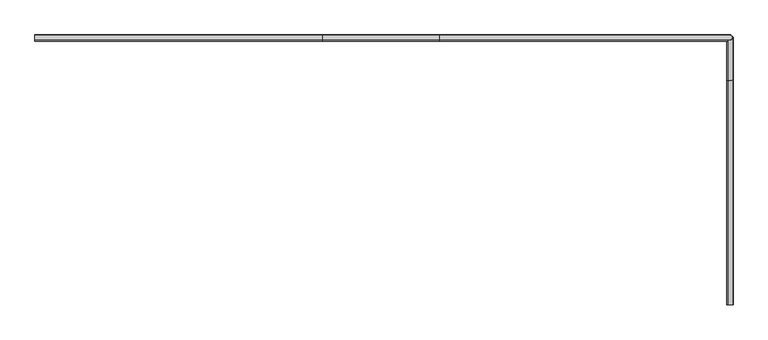
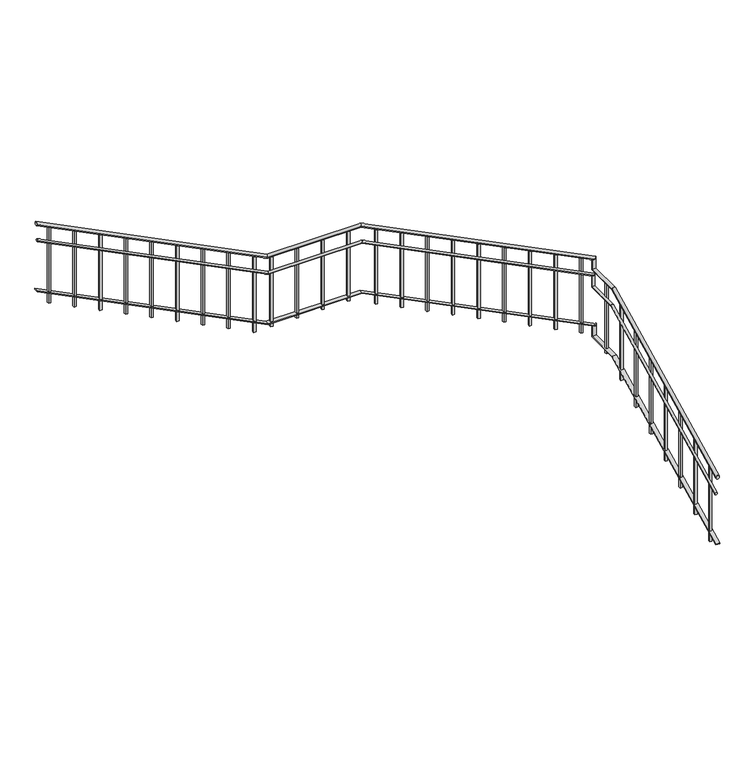
"""IFC4 building model written with IfcOpenShell, lengths in millimetres: railing geometry."""

from ifc_helpers import new_model, si_unit, frame, origin, place, context, project, spatial, polyline, ellipse_curve, outline, extrude, faceted_brep, source, transform, mapped, element, save
from ifc_brep_helpers import plane_surface, cylinder_surface, advanced_brep


def railing_5bda4fa4(model_context):
    return source(origin(), model_context, "Body", "SolidModel", [
        advanced_brep(
        [(-21844.5887159, -11006.8920513, 1027.6393202), (-21884.5887159, -11006.8920513, 1027.6393202), (-21844.5887159, -8902.1706918, 2080.0), (-21884.5887159, -8902.1706918, 2080.0), (-21844.5887159, -8501.8920513, 2080.0), (-21884.5887159, -8501.8920513, 2080.0), (-21844.5887159, -8501.8920513, 2229.6606798), (-21884.5887159, -8501.8920513, 2204.9393202)],
        [
            (0, 1, ellipse_curve(frame((-21864.5887159, -11006.8920513, 1027.6393202), z_axis=(0.0, -1.0, 0.0), x_axis=(0.0, 0.0, -1.0)), 22.3606798, 20.0)),
            (1, 0, ellipse_curve(frame((-21864.5887159, -11006.8920513, 1027.6393202), z_axis=(0.0, -1.0, 0.0), x_axis=(0.0, 0.0, -1.0)), 22.3606798, 20.0)),
            (0, 2),
            (2, 3, ellipse_curve(frame((-21864.5887159, -8902.1706918, 2080.0), z_axis=(0.0, -0.9732489894677302, -0.22975292054736096), x_axis=(0.0, 0.22975292054736066, -0.9732489894677304)), 20.5497259, 20.0)),
            (3, 1),
            (3, 2, ellipse_curve(frame((-21864.5887159, -8902.1706918, 2080.0), z_axis=(0.0, -0.9732489894677302, -0.22975292054736096), x_axis=(0.0, 0.22975292054736066, -0.9732489894677304)), 20.5497259, 20.0)),
            (2, 4),
            (4, 5, ellipse_curve(frame((-21864.5887159, -8501.8920513, 2080.0), z_axis=(0.0, -0.7071067811865476, -0.7071067811865475), x_axis=(0.0, -0.7071067811865474, 0.7071067811865476)), 28.2842712, 20.0)),
            (5, 3),
            (5, 4, ellipse_curve(frame((-21864.5887159, -8501.8920513, 2080.0), z_axis=(0.0, -0.7071067811865476, -0.7071067811865475), x_axis=(0.0, -0.7071067811865474, 0.7071067811865476)), 28.2842712, 20.0)),
            (6, 7, ellipse_curve(frame((-21864.5887159, -8501.8920513, 2217.3), z_axis=(-0.5257311121191336, 0.0, 0.85065080835204), x_axis=(-0.8506508083520401, 0.0, -0.5257311121191335)), 23.5114101, 20.0)),
            (7, 6, ellipse_curve(frame((-21864.5887159, -8501.8920513, 2217.3), z_axis=(-0.5257311121191336, 0.0, 0.85065080835204), x_axis=(-0.8506508083520401, 0.0, -0.5257311121191335)), 23.5114101, 20.0)),
            (4, 6),
            (7, 5),
        ],
        [
            plane_surface(frame((-21864.5887159, -11006.8920513, 1050.0), z_axis=(0.0, -1.0, 0.0), x_axis=(0.0, 0.0, 1.0))),
            cylinder_surface(frame((-21864.5887159, -10997.9477794, 1032.1114562), z_axis=(0.0, -0.8944271909999161, -0.44721359549995765), x_axis=(-1.0, 0.0, 0.0)), 20.0),
            cylinder_surface(frame((-21864.5887159, -8906.8920513, 2080.0), z_axis=(0.0, -1.0, 0.0), x_axis=(-1.0, 0.0, 0.0)), 20.0),
            plane_surface(frame((-21864.5887159, -8521.8920513, 2217.3), z_axis=(-0.5257311121191336, 0.0, 0.85065080835204), x_axis=(0.85065080835204, 0.0, 0.5257311121191336))),
            cylinder_surface(frame((-21864.5887159, -8501.8920513, 2100.0), z_axis=(0.0, 0.0, -1.0), x_axis=(-1.0, 0.0, 0.0)), 20.0),
        ],
        [
            (0, [[1, 2]]),
            (1, [[-1, 3, 4, 5]]),
            (1, [[-2, -5, 6, -3]]),
            (2, [[-4, 7, 8, 9]]),
            (2, [[-6, -9, 10, -7]]),
            (3, [[11, 12]]),
            (4, [[-8, 13, -12, 14]]),
            (4, [[-10, -14, -11, -13]]),
        ],
    ),
        advanced_brep(
        [(-21866.7001721, -8481.8920513, 2215.9950483), (-21866.7001721, -8521.8920513, 2215.9950483), (-24594.7100754, -8481.8920513, 3580.0), (-24594.7100754, -8521.8920513, 3580.0), (-25694.7100754, -8481.8920513, 3580.0), (-25694.7100754, -8521.8920513, 3580.0), (-28389.9887159, -8481.8920513, 4927.6393202), (-28389.9887159, -8521.8920513, 4927.6393202)],
        [
            (0, 1, ellipse_curve(frame((-21866.7001721, -8501.8920513, 2215.9950483), z_axis=(0.5257311121191336, 0.0, -0.85065080835204), x_axis=(0.8506508083520399, 0.0, 0.5257311121191337)), 23.5114101, 20.0)),
            (1, 0, ellipse_curve(frame((-21866.7001721, -8501.8920513, 2215.9950483), z_axis=(0.5257311121191336, 0.0, -0.85065080835204), x_axis=(0.8506508083520399, 0.0, 0.5257311121191337)), 23.5114101, 20.0)),
            (0, 2),
            (2, 3, ellipse_curve(frame((-24594.7100754, -8501.8920513, 3580.0), z_axis=(0.9732489894677302, 0.0, -0.22975292054736132), x_axis=(-0.22975292054736135, 0.0, -0.97324898946773)), 20.5497259, 20.0)),
            (3, 1),
            (3, 2, ellipse_curve(frame((-24594.7100754, -8501.8920513, 3580.0), z_axis=(0.9732489894677302, 0.0, -0.22975292054736132), x_axis=(-0.22975292054736135, 0.0, -0.97324898946773)), 20.5497259, 20.0)),
            (2, 4),
            (4, 5, ellipse_curve(frame((-25694.7100754, -8501.8920513, 3580.0), z_axis=(0.9732489894677302, 0.0, -0.22975292054736157), x_axis=(0.22975292054736068, 0.0, 0.9732489894677302)), 20.5497259, 20.0)),
            (5, 3),
            (5, 4, ellipse_curve(frame((-25694.7100754, -8501.8920513, 3580.0), z_axis=(0.9732489894677302, 0.0, -0.22975292054736157), x_axis=(0.22975292054736068, 0.0, 0.9732489894677302)), 20.5497259, 20.0)),
            (6, 7, ellipse_curve(frame((-28389.9887159, -8501.8920513, 4927.6393202), z_axis=(-1.0, 0.0, 0.0), x_axis=(0.0, 0.0, -0.9999999999999999)), 22.3606798, 20.0)),
            (7, 6, ellipse_curve(frame((-28389.9887159, -8501.8920513, 4927.6393202), z_axis=(-1.0, 0.0, 0.0), x_axis=(0.0, 0.0, -0.9999999999999999)), 22.3606798, 20.0)),
            (4, 6),
            (7, 5),
        ],
        [
            plane_surface(frame((-21846.7001721, -8501.8920513, 2228.3557281), z_axis=(0.5257311121191336, 0.0, -0.85065080835204), x_axis=(0.85065080835204, 0.0, 0.5257311121191336))),
            cylinder_surface(frame((-21855.644444, -8501.8920513, 2210.4671843), z_axis=(0.8944271909999159, 0.0, -0.44721359549995815), x_axis=(0.0, -1.0, 0.0)), 20.0),
            cylinder_surface(frame((-24589.9887159, -8501.8920513, 3580.0), z_axis=(1.0, 0.0, 0.0), x_axis=(0.0, -1.0, 0.0)), 20.0),
            plane_surface(frame((-28389.9887159, -8501.8920513, 4950.0), z_axis=(-1.0, 0.0, 0.0), x_axis=(0.0, -1.0, 0.0))),
            cylinder_surface(frame((-25698.9329878, -8501.8920513, 3582.1114562), z_axis=(0.8944271909999156, 0.0, -0.4472135954999586), x_axis=(0.0, -1.0, 0.0)), 20.0),
        ],
        [
            (0, [[1, 2]]),
            (1, [[-1, 3, 4, 5]]),
            (1, [[-2, -5, 6, -3]]),
            (2, [[-4, 7, 8, 9]]),
            (2, [[-6, -9, 10, -7]]),
            (3, [[11, 12]]),
            (4, [[-8, 13, -12, 14]]),
            (4, [[-10, -14, -11, -13]]),
        ],
    ),
        advanced_brep(
        [(-21869.5887159, -11006.8920513, 833.2294902), (-21899.5887159, -11006.8920513, 833.2294902), (-21869.5887159, -8903.3510317, 1885.0), (-21899.5887159, -8903.3510317, 1885.0), (-21869.5887159, -8521.8920513, 1885.0), (-21899.5887159, -8521.8920513, 1885.0), (-21869.5887159, -8521.8920513, 2041.5705098), (-21899.5887159, -8521.8920513, 2023.0294902)],
        [
            (0, 1, ellipse_curve(frame((-21884.5887159, -11006.8920513, 833.2294902), z_axis=(0.0, -1.0, 0.0), x_axis=(0.0, 0.0, -1.0)), 16.7705098, 15.0)),
            (1, 0, ellipse_curve(frame((-21884.5887159, -11006.8920513, 833.2294902), z_axis=(0.0, -1.0, 0.0), x_axis=(0.0, 0.0, -1.0)), 16.7705098, 15.0)),
            (0, 2),
            (2, 3, ellipse_curve(frame((-21884.5887159, -8903.3510317, 1885.0), z_axis=(0.0, -0.9732489894677302, -0.22975292054736096), x_axis=(0.0, 0.22975292054736066, -0.9732489894677304)), 15.4122945, 15.0)),
            (3, 1),
            (3, 2, ellipse_curve(frame((-21884.5887159, -8903.3510317, 1885.0), z_axis=(0.0, -0.9732489894677302, -0.22975292054736096), x_axis=(0.0, 0.22975292054736066, -0.9732489894677304)), 15.4122945, 15.0)),
            (2, 4),
            (4, 5, ellipse_curve(frame((-21884.5887159, -8521.8920513, 1885.0), z_axis=(0.0, -0.7071067811865476, -0.7071067811865475), x_axis=(0.0, -0.7071067811865474, 0.7071067811865476)), 21.2132034, 15.0)),
            (5, 3),
            (5, 4, ellipse_curve(frame((-21884.5887159, -8521.8920513, 1885.0), z_axis=(0.0, -0.7071067811865476, -0.7071067811865475), x_axis=(0.0, -0.7071067811865474, 0.7071067811865476)), 21.2132034, 15.0)),
            (6, 7, ellipse_curve(frame((-21884.5887159, -8521.8920513, 2032.3), z_axis=(-0.5257311121191335, 0.0, 0.85065080835204), x_axis=(-0.85065080835204, 0.0, -0.5257311121191336)), 17.6335576, 15.0)),
            (7, 6, ellipse_curve(frame((-21884.5887159, -8521.8920513, 2032.3), z_axis=(-0.5257311121191335, 0.0, 0.85065080835204), x_axis=(-0.85065080835204, 0.0, -0.5257311121191336)), 17.6335576, 15.0)),
            (4, 6),
            (7, 5),
        ],
        [
            plane_surface(frame((-21884.5887159, -11006.8920513, 850.0), z_axis=(0.0, -1.0, 0.0), x_axis=(0.0, 0.0, 1.0))),
            cylinder_surface(frame((-21884.5887159, -11000.1838474, 836.5835921), z_axis=(0.0, -0.8944271909999161, -0.44721359549995765), x_axis=(-1.0, 0.0, 0.0)), 15.0),
            cylinder_surface(frame((-21884.5887159, -8906.8920513, 1885.0), z_axis=(0.0, -1.0, 0.0), x_axis=(-1.0, 0.0, 0.0)), 15.0),
            plane_surface(frame((-21884.5887159, -8536.8920513, 2032.3), z_axis=(-0.5257311121191335, 0.0, 0.85065080835204), x_axis=(0.85065080835204, 0.0, 0.5257311121191335))),
            cylinder_surface(frame((-21884.5887159, -8521.8920513, 1900.0), z_axis=(0.0, 0.0, -1.0), x_axis=(-1.0, 0.0, 0.0)), 15.0),
        ],
        [
            (0, [[1, 2]]),
            (1, [[-1, 3, 4, 5]]),
            (1, [[-2, -5, 6, -3]]),
            (2, [[-4, 7, 8, 9]]),
            (2, [[-6, -9, 10, -7]]),
            (3, [[11, 12]]),
            (4, [[-8, 13, -12, 14]]),
            (4, [[-10, -14, -11, -13]]),
        ],
    ),
        advanced_brep(
        [(-21886.172308, -8506.8920513, 2031.3212862), (-21886.172308, -8536.8920513, 2031.3212862), (-24593.5297356, -8506.8920513, 3385.0), (-24593.5297356, -8536.8920513, 3385.0), (-25693.5297356, -8506.8920513, 3385.0), (-25693.5297356, -8536.8920513, 3385.0), (-28389.9887159, -8506.8920513, 4733.2294902), (-28389.9887159, -8536.8920513, 4733.2294902)],
        [
            (0, 1, ellipse_curve(frame((-21886.172308, -8521.8920513, 2031.3212862), z_axis=(0.5257311121191335, 0.0, -0.85065080835204), x_axis=(0.8506508083520401, 0.0, 0.5257311121191335)), 17.6335576, 15.0)),
            (1, 0, ellipse_curve(frame((-21886.172308, -8521.8920513, 2031.3212862), z_axis=(0.5257311121191335, 0.0, -0.85065080835204), x_axis=(0.8506508083520401, 0.0, 0.5257311121191335)), 17.6335576, 15.0)),
            (0, 2),
            (2, 3, ellipse_curve(frame((-24593.5297356, -8521.8920513, 3385.0), z_axis=(0.9732489894677302, 0.0, -0.2297529205473613), x_axis=(-0.22975292054736138, 0.0, -0.97324898946773)), 15.4122945, 15.0)),
            (3, 1),
            (3, 2, ellipse_curve(frame((-24593.5297356, -8521.8920513, 3385.0), z_axis=(0.9732489894677302, 0.0, -0.2297529205473613), x_axis=(-0.22975292054736138, 0.0, -0.97324898946773)), 15.4122945, 15.0)),
            (2, 4),
            (4, 5, ellipse_curve(frame((-25693.5297356, -8521.8920513, 3385.0), z_axis=(0.9732489894677302, 0.0, -0.22975292054736157), x_axis=(0.22975292054736068, 0.0, 0.9732489894677302)), 15.4122945, 15.0)),
            (5, 3),
            (5, 4, ellipse_curve(frame((-25693.5297356, -8521.8920513, 3385.0), z_axis=(0.9732489894677302, 0.0, -0.22975292054736157), x_axis=(0.22975292054736068, 0.0, 0.9732489894677302)), 15.4122945, 15.0)),
            (6, 7, ellipse_curve(frame((-28389.9887159, -8521.8920513, 4733.2294902), z_axis=(-1.0, 0.0, 0.0), x_axis=(0.0, 0.0, -0.9999999999999999)), 16.7705098, 15.0)),
            (7, 6, ellipse_curve(frame((-28389.9887159, -8521.8920513, 4733.2294902), z_axis=(-1.0, 0.0, 0.0), x_axis=(0.0, 0.0, -0.9999999999999999)), 16.7705098, 15.0)),
            (4, 6),
            (7, 5),
        ],
        [
            plane_surface(frame((-21871.172308, -8521.8920513, 2040.5917961), z_axis=(0.5257311121191335, 0.0, -0.85065080835204), x_axis=(0.85065080835204, 0.0, 0.5257311121191335))),
            cylinder_surface(frame((-21877.880512, -8521.8920513, 2027.1753882), z_axis=(0.8944271909999159, 0.0, -0.4472135954999581), x_axis=(0.0, -1.0, 0.0)), 15.0),
            cylinder_surface(frame((-24589.9887159, -8521.8920513, 3385.0), z_axis=(1.0, 0.0, 0.0), x_axis=(0.0, -1.0, 0.0)), 15.0),
            plane_surface(frame((-28389.9887159, -8521.8920513, 4750.0), z_axis=(-1.0, 0.0, 0.0), x_axis=(0.0, -1.0, 0.0))),
            cylinder_surface(frame((-25696.6969198, -8521.8920513, 3386.5835921), z_axis=(0.8944271909999156, 0.0, -0.4472135954999586), x_axis=(0.0, -1.0, 0.0)), 15.0),
        ],
        [
            (0, [[1, 2]]),
            (1, [[-1, 3, 4, 5]]),
            (1, [[-2, -5, 6, -3]]),
            (2, [[-4, 7, 8, 9]]),
            (2, [[-6, -9, 10, -7]]),
            (3, [[11, 12]]),
            (4, [[-8, 13, -12, 14]]),
            (4, [[-10, -14, -11, -13]]),
        ],
    ),
        faceted_brep([(-21889.5887159, -11006.8920513, 210.0), (-21889.5887159, -11006.8920513, 198.8196601), (-21839.5887159, -11006.8920513, 198.8196601), (-21839.5887159, -11006.8920513, 210.0), (-21889.5887159, -8906.8920513, 1260.0), (-21889.5887159, -8904.5313716, 1250.0), (-21839.5887159, -8904.5313716, 1250.0), (-21839.5887159, -8906.8920513, 1260.0), (-21889.5887159, -8506.8920513, 1260.0), (-21889.5887159, -8496.8920513, 1250.0), (-21839.5887159, -8496.8920513, 1250.0), (-21839.5887159, -8506.8920513, 1260.0), (-21889.5887159, -8506.8920513, 1376.8491503), (-21839.5887159, -8506.8920513, 1407.7508497), (-21839.5887159, -8496.8920513, 1407.7508497), (-21889.5887159, -8496.8920513, 1376.8491503)], [[[0, 1, 2, 3]], [[1, 0, 4, 5]], [[2, 1, 5, 6]], [[3, 2, 6, 7]], [[0, 3, 7, 4]], [[5, 4, 8, 9]], [[6, 5, 9, 10]], [[7, 6, 10, 11]], [[4, 7, 11, 8]], [[12, 13, 14, 15]], [[9, 8, 12, 15]], [[10, 9, 15, 14]], [[11, 10, 14, 13]], [[8, 11, 13, 12]]]),
        faceted_brep([(-21860.1165799, -8526.8920513, 1395.063932), (-21870.1165799, -8526.8920513, 1388.8835921), (-21870.1165799, -8476.8920513, 1388.8835921), (-21860.1165799, -8476.8920513, 1395.063932), (-24589.9887159, -8526.8920513, 2760.0), (-24592.3493957, -8526.8920513, 2750.0), (-24592.3493957, -8476.8920513, 2750.0), (-24589.9887159, -8476.8920513, 2760.0), (-25689.9887159, -8526.8920513, 2760.0), (-25692.3493957, -8526.8920513, 2750.0), (-25692.3493957, -8476.8920513, 2750.0), (-25689.9887159, -8476.8920513, 2760.0), (-28389.9887159, -8526.8920513, 4110.0), (-28389.9887159, -8476.8920513, 4110.0), (-28389.9887159, -8476.8920513, 4098.8196601), (-28389.9887159, -8526.8920513, 4098.8196601)], [[[0, 1, 2, 3]], [[1, 0, 4, 5]], [[2, 1, 5, 6]], [[3, 2, 6, 7]], [[0, 3, 7, 4]], [[5, 4, 8, 9]], [[6, 5, 9, 10]], [[7, 6, 10, 11]], [[4, 7, 11, 8]], [[12, 13, 14, 15]], [[9, 8, 12, 15]], [[10, 9, 15, 14]], [[11, 10, 14, 13]], [[8, 11, 13, 12]]]),
        extrude(outline(polyline([(4824.0286405, -28227.4887159), (4836.5286405, -28252.4887159), (3900.0, -28252.4887159), (3900.0, -28227.4887159), (4824.0286405, -28227.4887159)])), frame((0.0, -8514.3920513, 0.0), z_axis=(0.0, 1.0, 0.0), x_axis=(0.0, 0.0, 1.0)), (0.0, 0.0, 1.0), 25.0),
        extrude(outline(polyline([(4674.0286405, -27927.4887159), (4686.5286405, -27952.4887159), (3750.0, -27952.4887159), (3750.0, -27927.4887159), (4674.0286405, -27927.4887159)])), frame((0.0, -8514.3920513, 0.0), z_axis=(0.0, 1.0, 0.0), x_axis=(0.0, 0.0, 1.0)), (0.0, 0.0, 1.0), 25.0),
        extrude(outline(polyline([(4524.0286405, -27627.4887159), (4536.5286405, -27652.4887159), (3600.0, -27652.4887159), (3600.0, -27627.4887159), (4524.0286405, -27627.4887159)])), frame((0.0, -8514.3920513, 0.0), z_axis=(0.0, 1.0, 0.0), x_axis=(0.0, 0.0, 1.0)), (0.0, 0.0, 1.0), 25.0),
        extrude(outline(polyline([(4374.0286405, -27327.4887159), (4386.5286405, -27352.4887159), (3450.0, -27352.4887159), (3450.0, -27327.4887159), (4374.0286405, -27327.4887159)])), frame((0.0, -8514.3920513, 0.0), z_axis=(0.0, 1.0, 0.0), x_axis=(0.0, 0.0, 1.0)), (0.0, 0.0, 1.0), 25.0),
        extrude(outline(polyline([(4224.0286405, -27027.4887159), (4236.5286405, -27052.4887159), (3300.0, -27052.4887159), (3300.0, -27027.4887159), (4224.0286405, -27027.4887159)])), frame((0.0, -8514.3920513, 0.0), z_axis=(0.0, 1.0, 0.0), x_axis=(0.0, 0.0, 1.0)), (0.0, 0.0, 1.0), 25.0),
        extrude(outline(polyline([(4074.0286405, -26727.4887159), (4086.5286405, -26752.4887159), (3150.0, -26752.4887159), (3150.0, -26727.4887159), (4074.0286405, -26727.4887159)])), frame((0.0, -8514.3920513, 0.0), z_axis=(0.0, 1.0, 0.0), x_axis=(0.0, 0.0, 1.0)), (0.0, 0.0, 1.0), 25.0),
        extrude(outline(polyline([(3924.0286405, -26427.4887159), (3936.5286405, -26452.4887159), (3000.0, -26452.4887159), (3000.0, -26427.4887159), (3924.0286405, -26427.4887159)])), frame((0.0, -8514.3920513, 0.0), z_axis=(0.0, 1.0, 0.0), x_axis=(0.0, 0.0, 1.0)), (0.0, 0.0, 1.0), 25.0),
        extrude(outline(polyline([(3774.0286405, -26127.4887159), (3786.5286405, -26152.4887159), (2850.0, -26152.4887159), (2850.0, -26127.4887159), (3774.0286405, -26127.4887159)])), frame((0.0, -8514.3920513, 0.0), z_axis=(0.0, 1.0, 0.0), x_axis=(0.0, 0.0, 1.0)), (0.0, 0.0, 1.0), 25.0),
        extrude(outline(polyline([(3624.0286405, -25827.4887159), (3636.5286405, -25852.4887159), (2700.0, -25852.4887159), (2700.0, -25827.4887159), (3624.0286405, -25827.4887159)])), frame((0.0, -8514.3920513, 0.0), z_axis=(0.0, 1.0, 0.0), x_axis=(0.0, 0.0, 1.0)), (0.0, 0.0, 1.0), 25.0),
        extrude(outline(polyline([(-25627.4887159, -8514.3920513), (-25652.4887159, -8514.3920513), (-25652.4887159, -8489.3920513), (-25627.4887159, -8489.3920513), (-25627.4887159, -8514.3920513)])), frame((0.0, 0.0, 2700.0), z_axis=(0.0, 0.0, 1.0), x_axis=(1.0, 0.0, 0.0)), (0.0, 0.0, 1.0), 860.0),
        extrude(outline(polyline([(-25327.4887159, -8514.3920513), (-25352.4887159, -8514.3920513), (-25352.4887159, -8489.3920513), (-25327.4887159, -8489.3920513), (-25327.4887159, -8514.3920513)])), frame((0.0, 0.0, 2700.0), z_axis=(0.0, 0.0, 1.0), x_axis=(1.0, 0.0, 0.0)), (0.0, 0.0, 1.0), 860.0),
        extrude(outline(polyline([(-25027.4887159, -8514.3920513), (-25052.4887159, -8514.3920513), (-25052.4887159, -8489.3920513), (-25027.4887159, -8489.3920513), (-25027.4887159, -8514.3920513)])), frame((0.0, 0.0, 2700.0), z_axis=(0.0, 0.0, 1.0), x_axis=(1.0, 0.0, 0.0)), (0.0, 0.0, 1.0), 860.0),
        extrude(outline(polyline([(-24727.4887159, -8514.3920513), (-24752.4887159, -8514.3920513), (-24752.4887159, -8489.3920513), (-24727.4887159, -8489.3920513), (-24727.4887159, -8514.3920513)])), frame((0.0, 0.0, 2700.0), z_axis=(0.0, 0.0, 1.0), x_axis=(1.0, 0.0, 0.0)), (0.0, 0.0, 1.0), 860.0),
        extrude(outline(polyline([(3461.3286405, -24402.0887159), (3473.8286405, -24427.0887159), (2550.0, -24427.0887159), (2550.0, -24402.0887159), (3461.3286405, -24402.0887159)])), frame((0.0, -8514.3920513, 0.0), z_axis=(0.0, 1.0, 0.0), x_axis=(0.0, 0.0, 1.0)), (0.0, 0.0, 1.0), 25.0),
        extrude(outline(polyline([(3311.3286405, -24102.0887159), (3323.8286405, -24127.0887159), (2400.0, -24127.0887159), (2400.0, -24102.0887159), (3311.3286405, -24102.0887159)])), frame((0.0, -8514.3920513, 0.0), z_axis=(0.0, 1.0, 0.0), x_axis=(0.0, 0.0, 1.0)), (0.0, 0.0, 1.0), 25.0),
        extrude(outline(polyline([(3161.3286405, -23802.0887159), (3173.8286405, -23827.0887159), (2250.0, -23827.0887159), (2250.0, -23802.0887159), (3161.3286405, -23802.0887159)])), frame((0.0, -8514.3920513, 0.0), z_axis=(0.0, 1.0, 0.0), x_axis=(0.0, 0.0, 1.0)), (0.0, 0.0, 1.0), 25.0),
        extrude(outline(polyline([(3011.3286405, -23502.0887159), (3023.8286405, -23527.0887159), (2100.0, -23527.0887159), (2100.0, -23502.0887159), (3011.3286405, -23502.0887159)])), frame((0.0, -8514.3920513, 0.0), z_axis=(0.0, 1.0, 0.0), x_axis=(0.0, 0.0, 1.0)), (0.0, 0.0, 1.0), 25.0),
        extrude(outline(polyline([(2861.3286405, -23202.0887159), (2873.8286405, -23227.0887159), (1950.0, -23227.0887159), (1950.0, -23202.0887159), (2861.3286405, -23202.0887159)])), frame((0.0, -8514.3920513, 0.0), z_axis=(0.0, 1.0, 0.0), x_axis=(0.0, 0.0, 1.0)), (0.0, 0.0, 1.0), 25.0),
        extrude(outline(polyline([(2711.3286405, -22902.0887159), (2723.8286405, -22927.0887159), (1800.0, -22927.0887159), (1800.0, -22902.0887159), (2711.3286405, -22902.0887159)])), frame((0.0, -8514.3920513, 0.0), z_axis=(0.0, 1.0, 0.0), x_axis=(0.0, 0.0, 1.0)), (0.0, 0.0, 1.0), 25.0),
        extrude(outline(polyline([(2561.3286405, -22602.0887159), (2573.8286405, -22627.0887159), (1650.0, -22627.0887159), (1650.0, -22602.0887159), (2561.3286405, -22602.0887159)])), frame((0.0, -8514.3920513, 0.0), z_axis=(0.0, 1.0, 0.0), x_axis=(0.0, 0.0, 1.0)), (0.0, 0.0, 1.0), 25.0),
        extrude(outline(polyline([(2411.3286405, -22302.0887159), (2423.8286405, -22327.0887159), (1500.0, -22327.0887159), (1500.0, -22302.0887159), (2411.3286405, -22302.0887159)])), frame((0.0, -8514.3920513, 0.0), z_axis=(0.0, 1.0, 0.0), x_axis=(0.0, 0.0, 1.0)), (0.0, 0.0, 1.0), 25.0),
        extrude(outline(polyline([(2261.3286405, -22002.0887159), (2273.8286405, -22027.0887159), (1350.0, -22027.0887159), (1350.0, -22002.0887159), (2261.3286405, -22002.0887159)])), frame((0.0, -8514.3920513, 0.0), z_axis=(0.0, 1.0, 0.0), x_axis=(0.0, 0.0, 1.0)), (0.0, 0.0, 1.0), 25.0),
        extrude(outline(polyline([(-21877.0887159, -8769.3920513), (-21877.0887159, -8744.3920513), (-21852.0887159, -8744.3920513), (-21852.0887159, -8769.3920513), (-21877.0887159, -8769.3920513)])), frame((0.0, 0.0, 1200.0), z_axis=(0.0, 0.0, 1.0), x_axis=(1.0, 0.0, 0.0)), (0.0, 0.0, 1.0), 860.0),
        extrude(outline(polyline([(-9069.3920513, 1974.0286405), (-9044.3920513, 1986.5286405), (-9044.3920513, 1050.0), (-9069.3920513, 1050.0), (-9069.3920513, 1974.0286405)])), frame((-21877.0887159, 0.0, 0.0), z_axis=(1.0, 0.0, 0.0), x_axis=(0.0, 1.0, 0.0)), (0.0, 0.0, 1.0), 25.0),
        extrude(outline(polyline([(-9369.3920513, 1824.0286405), (-9344.3920513, 1836.5286405), (-9344.3920513, 900.0), (-9369.3920513, 900.0), (-9369.3920513, 1824.0286405)])), frame((-21877.0887159, 0.0, 0.0), z_axis=(1.0, 0.0, 0.0), x_axis=(0.0, 1.0, 0.0)), (0.0, 0.0, 1.0), 25.0),
        extrude(outline(polyline([(-9669.3920513, 1674.0286405), (-9644.3920513, 1686.5286405), (-9644.3920513, 750.0), (-9669.3920513, 750.0), (-9669.3920513, 1674.0286405)])), frame((-21877.0887159, 0.0, 0.0), z_axis=(1.0, 0.0, 0.0), x_axis=(0.0, 1.0, 0.0)), (0.0, 0.0, 1.0), 25.0),
        extrude(outline(polyline([(-9969.3920513, 1524.0286405), (-9944.3920513, 1536.5286405), (-9944.3920513, 600.0), (-9969.3920513, 600.0), (-9969.3920513, 1524.0286405)])), frame((-21877.0887159, 0.0, 0.0), z_axis=(1.0, 0.0, 0.0), x_axis=(0.0, 1.0, 0.0)), (0.0, 0.0, 1.0), 25.0),
        extrude(outline(polyline([(-10269.3920513, 1374.0286405), (-10244.3920513, 1386.5286405), (-10244.3920513, 450.0), (-10269.3920513, 450.0), (-10269.3920513, 1374.0286405)])), frame((-21877.0887159, 0.0, 0.0), z_axis=(1.0, 0.0, 0.0), x_axis=(0.0, 1.0, 0.0)), (0.0, 0.0, 1.0), 25.0),
        extrude(outline(polyline([(-10569.3920513, 1224.0286405), (-10544.3920513, 1236.5286405), (-10544.3920513, 300.0), (-10569.3920513, 300.0), (-10569.3920513, 1224.0286405)])), frame((-21877.0887159, 0.0, 0.0), z_axis=(1.0, 0.0, 0.0), x_axis=(0.0, 1.0, 0.0)), (0.0, 0.0, 1.0), 25.0),
        extrude(outline(polyline([(-10869.3920513, 1074.0286405), (-10844.3920513, 1086.5286405), (-10844.3920513, 150.0), (-10869.3920513, 150.0), (-10869.3920513, 1074.0286405)])), frame((-21877.0887159, 0.0, 0.0), z_axis=(1.0, 0.0, 0.0), x_axis=(0.0, 1.0, 0.0)), (0.0, 0.0, 1.0), 25.0),
    ])


if __name__ == "__main__":
    model = new_model("IFC4")
    model_context = context("Model", 3, world=origin())
    ifc_project = project(units=[si_unit("LENGTHUNIT", "METRE", prefix="MILLI")], contexts=[model_context])
    site = spatial("IfcSite", under=ifc_project)
    building = spatial("IfcBuilding", under=site)
    placement = place(None, origin())
    railing_shape = railing_5bda4fa4(model_context)
    element("IfcRailing", 1, at=placement, inside=building, context=model_context, shape_type="MappedRepresentation", body=[
        mapped(railing_shape, transform((0.0, 0.0, 0.0), x_axis=(1.0, 0.0, 0.0), y_axis=(0.0, 1.0, 0.0), z_axis=(0.0, 0.0, 1.0))),
    ])
    save(model, "model.ifc")
